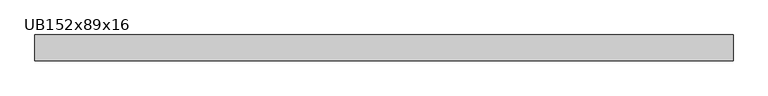
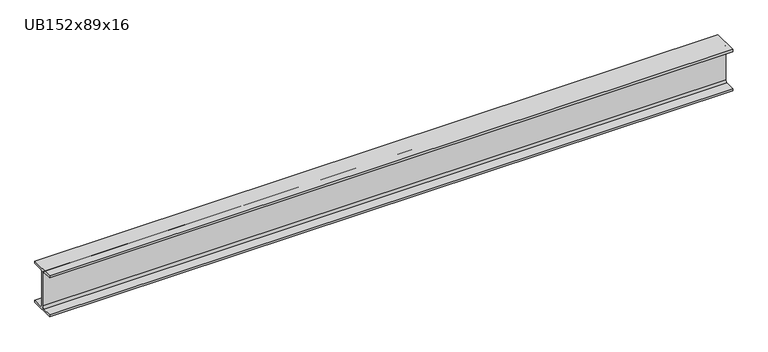
"""IFC4 building model written with IfcOpenShell, lengths in millimetres: beam geometry, UB152x89x16."""

from ifc_helpers import new_model, si_unit, point, frame, frame_2d, origin, place, context, project, spatial, polyline, circle_curve, trimmed, segment, composite_curve, outline, extrude, source, transform, mapped, element, save


def ub152x89x16_66889a55(model_context):
    return source(origin(), model_context, "Body", "SweptSolid", [
        extrude(outline(composite_curve([segment(polyline([(44.35, -68.5), (44.35, -76.2), (-44.35, -76.2), (-44.35, -68.5), (-9.85, -68.5)]), True, "CONTINUOUS"), segment(trimmed(circle_curve(frame_2d((-9.85, -60.9)), 7.6), [point((-9.85, -68.5))], [point((-2.25, -60.9))], True, "CARTESIAN"), True, "CONTINUOUS"), segment(polyline([(-2.25, -60.9), (-2.25, 60.9)]), True, "CONTINUOUS"), segment(trimmed(circle_curve(frame_2d((-9.85, 60.9)), 7.6), [point((-2.25, 60.9))], [point((-9.85, 68.5))], True, "CARTESIAN"), True, "CONTINUOUS"), segment(polyline([(-9.85, 68.5), (-44.35, 68.5), (-44.35, 76.2), (44.35, 76.2), (44.35, 68.5), (9.85, 68.5)]), True, "CONTINUOUS"), segment(trimmed(circle_curve(frame_2d((9.85, 60.9)), 7.6), [point((9.85, 68.5))], [point((2.25, 60.9))], True, "CARTESIAN"), True, "CONTINUOUS"), segment(polyline([(2.25, 60.9), (2.25, -60.9)]), True, "CONTINUOUS"), segment(trimmed(circle_curve(frame_2d((9.85, -60.9)), 7.6), [point((2.25, -60.9))], [point((9.85, -68.5))], True, "CARTESIAN"), True, "CONTINUOUS"), segment(polyline([(9.85, -68.5), (44.35, -68.5)]), True, "CONTINUOUS")], self_intersect=False)), frame((-1194.15, 0.0, 0.0), z_axis=(1.0, 0.0, 0.0), x_axis=(0.0, 1.0, 0.0)), (0.0, 0.0, 1.0), 2394.1),
    ])


if __name__ == "__main__":
    model = new_model("IFC4")
    model_context = context("Model", 3, world=origin())
    ifc_project = project(units=[si_unit("LENGTHUNIT", "METRE", prefix="MILLI")], contexts=[model_context])
    site = spatial("IfcSite", under=ifc_project)
    building = spatial("IfcBuilding", under=site)
    placement = place(None, origin())
    ub152x89x16_shape = ub152x89x16_66889a55(model_context)
    element("IfcBeam", 1, ObjectType="UB152x89x16", at=placement, inside=building, context=model_context, shape_type="MappedRepresentation", body=[
        mapped(ub152x89x16_shape, transform((0.0, 0.0, 0.0), x_axis=(1.0, 0.0, 0.0), y_axis=(0.0, 1.0, 0.0), z_axis=(0.0, 0.0, 1.0))),
    ])
    save(model, "model.ifc")
